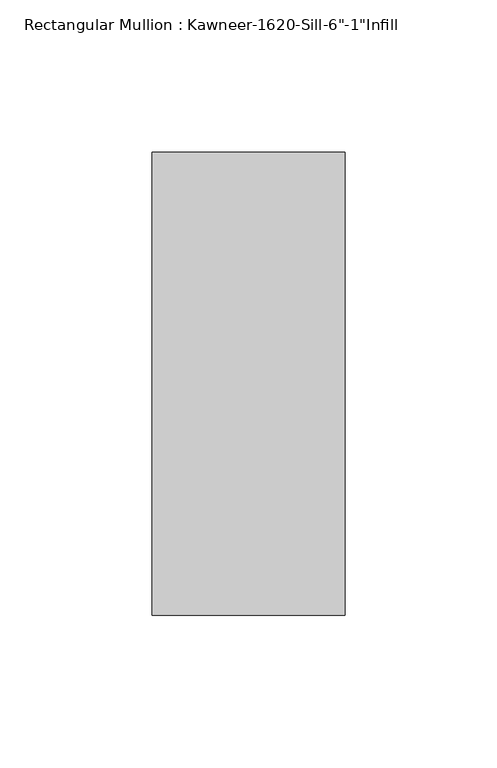
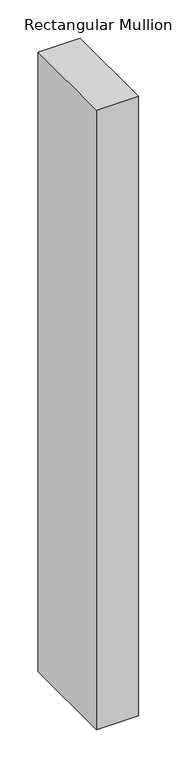
"""IFC4 building model written with IfcOpenShell, lengths in millimetres: member geometry."""

from ifc_helpers import new_model, si_unit, frame, origin, place, context, project, spatial, polyline, outline, extrude, source, transform, mapped, element, save


def member_afe5c84e(model_context):
    return source(origin(), model_context, "Body", "SweptSolid", [
        extrude(outline(polyline([(-63.5, 38.1), (0.0, 38.1), (0.0, -114.3), (-63.5, -114.3), (-63.5, 38.1)])), frame((0.0, 0.0, -986.5204663), z_axis=(0.0, 0.0, 1.0), x_axis=(1.0, 0.0, 0.0)), (0.0, 0.0, 1.0), 986.5204663),
    ])


if __name__ == "__main__":
    model = new_model("IFC4")
    model_context = context("Model", 3, world=origin())
    ifc_project = project(units=[si_unit("LENGTHUNIT", "METRE", prefix="MILLI")], contexts=[model_context])
    site = spatial("IfcSite", under=ifc_project)
    building = spatial("IfcBuilding", under=site)
    placement = place(None, origin())
    member_shape = member_afe5c84e(model_context)
    element("IfcMember", 1, ObjectType="Rectangular Mullion : Kawneer-1620-Sill-6\"-1\"Infill", at=placement, inside=building, context=model_context, shape_type="MappedRepresentation", body=[
        mapped(member_shape, transform((0.0, 0.0, 0.0), x_axis=(1.0, 0.0, 0.0), y_axis=(0.0, 1.0, 0.0), z_axis=(0.0, 0.0, 1.0))),
    ])
    save(model, "model.ifc")
